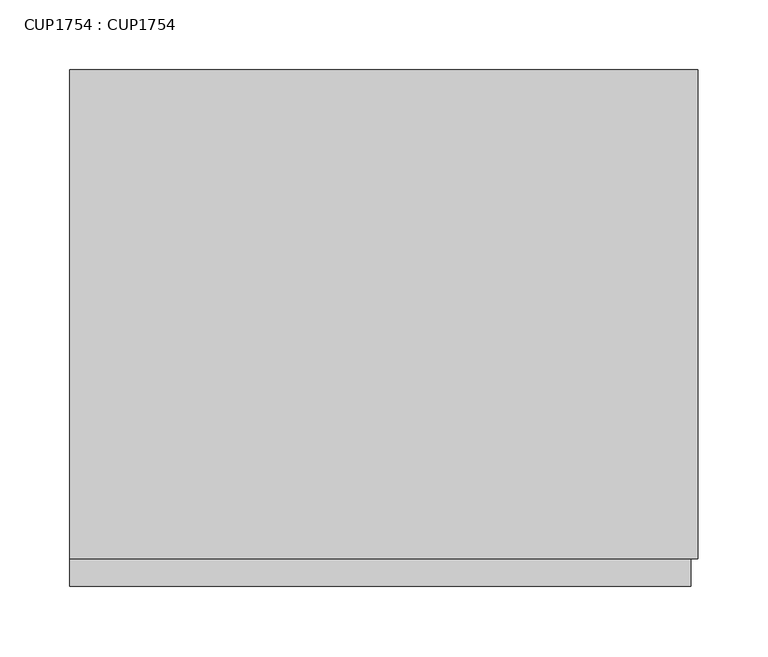
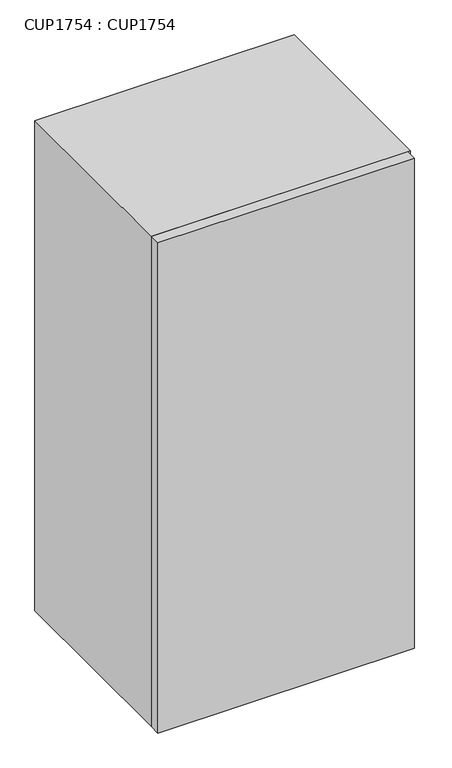
"""IFC4 building model written with IfcOpenShell, lengths in millimetres: proxy geometry, CUP1754 : CUP1754."""

from ifc_helpers import new_model, si_unit, origin, origin_with_axes, place, context, project, spatial, polyline, outline, extrude, source, transform, mapped, element, save


def cup1754_cup1754_66a95e19(model_context):
    return source(origin(), model_context, "Body", "SweptSolid", [
        extrude(outline(polyline([(450.0, 0.0), (450.0, -350.0), (0.0, -350.0), (0.0, 0.0), (450.0, 0.0)])), origin_with_axes(), (0.0, 0.0, 1.0), 900.0),
        extrude(outline(polyline([(445.0, -350.0), (445.0, -370.0), (0.0, -370.0), (0.0, -350.0), (445.0, -350.0)])), origin_with_axes(), (0.0, 0.0, 1.0), 900.0),
    ])


if __name__ == "__main__":
    model = new_model("IFC4")
    model_context = context("Model", 3, world=origin())
    ifc_project = project(units=[si_unit("LENGTHUNIT", "METRE", prefix="MILLI")], contexts=[model_context])
    site = spatial("IfcSite", under=ifc_project)
    building = spatial("IfcBuilding", under=site)
    placement = place(None, origin())
    cup1754_cup1754_shape = cup1754_cup1754_66a95e19(model_context)
    element("IfcBuildingElementProxy", 1, Name="CUP1754 : CUP1754", ObjectType="CUP1754 : CUP1754", at=placement, inside=building, context=model_context, shape_type="MappedRepresentation", body=[
        mapped(cup1754_cup1754_shape, transform((0.0, 0.0, 0.0), x_axis=(1.0, 0.0, 0.0), y_axis=(0.0, 1.0, 0.0), z_axis=(0.0, 0.0, 1.0))),
    ])
    save(model, "model.ifc")
